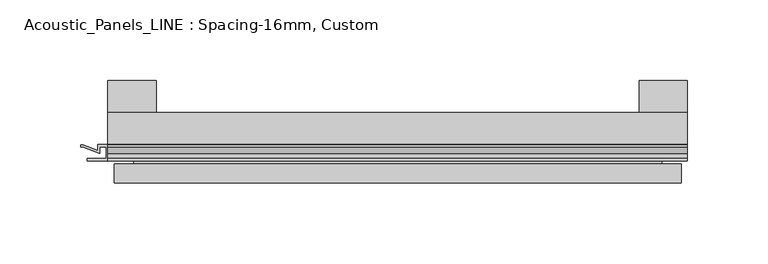
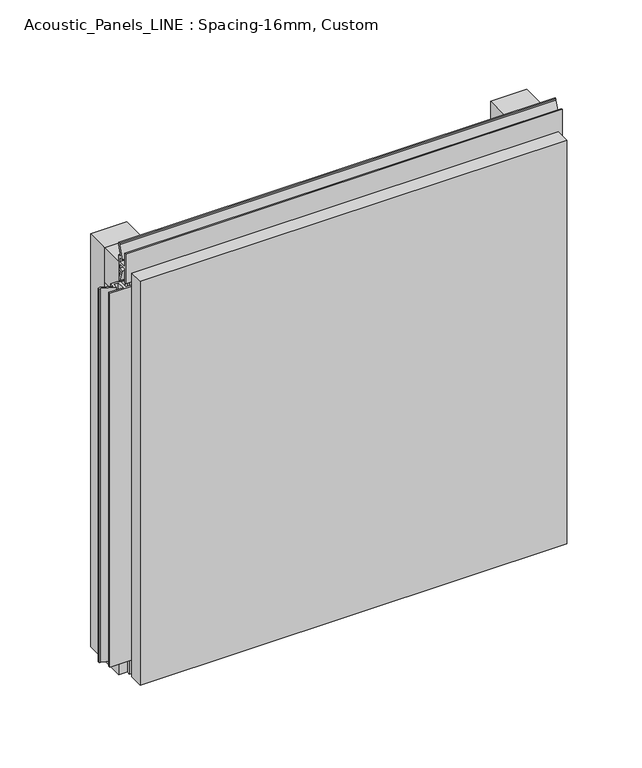
"""IFC4 building model written with IfcOpenShell, lengths in millimetres: plate geometry, Acoustic_Panels_LINE : Spacing-16mm, Custom."""

from ifc_helpers import new_model, si_unit, frame, origin, origin_with_axes, place, context, project, spatial, polyline, outline, extrude, faceted_brep, source, transform, mapped, element, save


def acoustic_panels_line_spacing_16mm_custom_9d0159fa(model_context):
    return source(origin(), model_context, "Body", "SolidModel", [
        extrude(outline(polyline([(-180.0, -40.0), (-180.0, -20.0), (180.0, -20.0), (180.0, -40.0), (-180.0, -40.0)])), frame((0.0, 0.0, 330.0), z_axis=(0.0, 0.0, 1.0), x_axis=(1.0, 0.0, 0.0)), (0.0, 0.0, 1.0), 30.0),
        extrude(outline(polyline([(-180.0, -40.0), (-180.0, -20.0), (180.0, -20.0), (180.0, -40.0), (-180.0, -40.0)])), origin_with_axes(), (0.0, 0.0, 1.0), 30.0),
        extrude(outline(polyline([(150.0, 0.0), (180.0, 0.0), (180.0, -20.0), (150.0, -20.0), (150.0, 0.0)])), origin_with_axes(), (0.0, 0.0, 1.0), 360.0),
        extrude(outline(polyline([(-150.0, 0.0), (-150.0, -20.0), (-180.0, -20.0), (-180.0, 0.0), (-150.0, 0.0)])), origin_with_axes(), (0.0, 0.0, 1.0), 360.0),
        extrude(outline(polyline([(-180.899084, -48.7), (-180.899084, -41.4), (-184.899084, -41.4), (-184.899084, -45.5140545), (-195.5703394, -41.4553267), (-196.9558599, -41.4553267), (-196.9558599, -40.0553267), (-195.3558599, -40.0553267), (-186.299084, -43.5), (-186.299084, -40.0), (-173.700916, -40.0), (-173.700916, -43.5), (-164.6441401, -40.0553267), (-163.0441401, -40.0553267), (-163.0441401, -41.4553267), (-164.4296606, -41.4553267), (-175.100916, -45.5140545), (-175.100916, -41.4), (-179.100916, -41.4), (-179.100916, -48.7), (-167.100916, -48.7), (-167.100916, -50.1), (-192.899084, -50.1), (-192.899084, -48.7), (-180.899084, -48.7)])), frame((0.0, 0.0, 16.9558599), z_axis=(0.0, 0.0, 1.0), x_axis=(1.0, 0.0, 0.0)), (0.0, 0.0, 1.0), 326.0882802),
        extrude(outline(polyline([(-48.7, 360.899084), (-41.4, 360.899084), (-41.4, 364.899084), (-45.5140545, 364.899084), (-41.4553267, 375.5703394), (-41.4553267, 376.9558599), (-40.0553267, 376.9558599), (-40.0553267, 375.3558599), (-43.5, 366.299084), (-40.0, 366.299084), (-40.0, 353.700916), (-43.5, 353.700916), (-40.0553267, 344.6441401), (-40.0553267, 343.0441401), (-41.4553267, 343.0441401), (-41.4553267, 344.4296606), (-45.5140545, 355.100916), (-41.4, 355.100916), (-41.4, 359.100916), (-48.7, 359.100916), (-48.7, 347.100916), (-50.1, 347.100916), (-50.1, 372.899084), (-48.7, 372.899084), (-48.7, 360.899084)])), frame((-180.0, 0.0, 0.0), z_axis=(1.0, 0.0, 0.0), x_axis=(0.0, 1.0, 0.0)), (0.0, 0.0, 1.0), 360.0),
        faceted_brep([(176.0, -45.9, 356.0), (-176.0, -45.9, 356.0), (-176.0, -48.7, 356.0), (176.0, -48.7, 356.0), (-176.0, -63.9, 356.0), (176.0, -63.9, 356.0), (176.0, -51.9, 356.0), (-176.0, -51.9, 356.0), (-176.0, -45.9, 4.0), (176.0, -45.9, 4.0), (176.0, -48.7, 4.0), (-176.0, -48.7, 4.0), (176.0, -63.9, 4.0), (-176.0, -63.9, 4.0), (-176.0, -51.9, 4.0), (176.0, -51.9, 4.0), (164.0, -51.9, 344.0), (164.0, -51.9, 16.0), (164.0, -48.7, 16.0), (164.0, -48.7, 344.0), (-164.0, -51.9, 16.0), (-164.0, -48.7, 16.0), (-164.0, -51.9, 344.0), (-164.0, -48.7, 344.0)], [[[0, 1, 2, 3]], [[4, 5, 6, 7]], [[8, 9, 10, 11]], [[12, 13, 14, 15]], [[1, 0, 9, 8]], [[1, 8, 11, 2]], [[13, 4, 7, 14]], [[5, 4, 13, 12]], [[9, 0, 3, 10]], [[5, 12, 15, 6]], [[16, 17, 18, 19]], [[18, 17, 20, 21]], [[21, 20, 22, 23]], [[16, 19, 23, 22]], [[7, 6, 15, 14], [17, 16, 22, 20]], [[3, 2, 11, 10], [19, 18, 21, 23]]]),
    ])


if __name__ == "__main__":
    model = new_model("IFC4")
    model_context = context("Model", 3, world=origin())
    ifc_project = project(units=[si_unit("LENGTHUNIT", "METRE", prefix="MILLI")], contexts=[model_context])
    site = spatial("IfcSite", under=ifc_project)
    building = spatial("IfcBuilding", under=site)
    placement = place(None, origin())
    acoustic_panels_line_spacing_16mm_custom_shape = acoustic_panels_line_spacing_16mm_custom_9d0159fa(model_context)
    element("IfcPlate", 1, ObjectType="Acoustic_Panels_LINE : Spacing-16mm, Custom", at=placement, inside=building, context=model_context, shape_type="MappedRepresentation", body=[
        mapped(acoustic_panels_line_spacing_16mm_custom_shape, transform((0.0, 0.0, 0.0), x_axis=(1.0, 0.0, 0.0), y_axis=(0.0, 1.0, 0.0), z_axis=(0.0, 0.0, 1.0))),
    ])
    save(model, "model.ifc")
